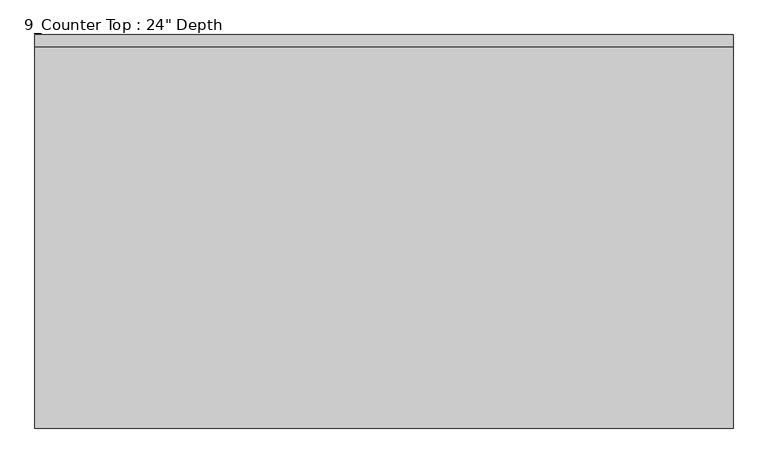
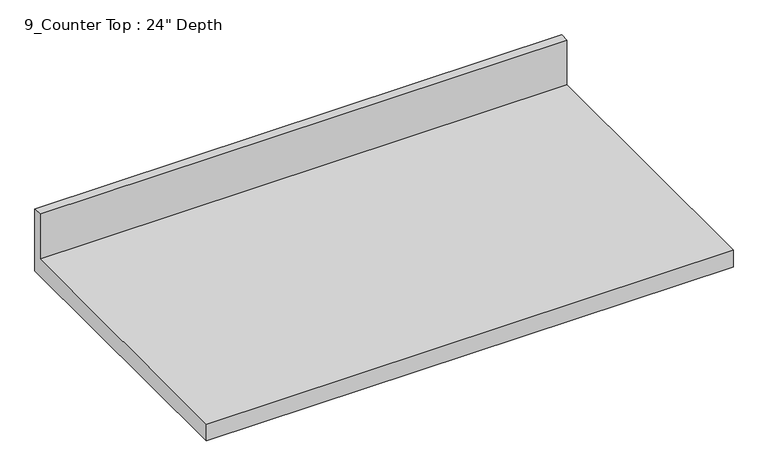
"""IFC4 building model written with IfcOpenShell, lengths in millimetres: furniture geometry."""

from ifc_helpers import new_model, si_unit, frame, origin, place, context, project, spatial, polyline, outline, extrude, source, transform, mapped, element, save


def furniture_5749a6f8(model_context):
    return source(origin(), model_context, "Body", "SweptSolid", [
        extrude(outline(polyline([(0.0, 1016.0), (0.0, 876.3), (-635.0, 876.3), (-635.0, 914.4), (-19.05, 914.4), (-19.05, 1016.0), (0.0, 1016.0)])), frame((-1200.4622951, 0.0, 0.0), z_axis=(1.0, 0.0, 0.0), x_axis=(0.0, 1.0, 0.0)), (0.0, 0.0, 1.0), 1126.3773823),
    ])


if __name__ == "__main__":
    model = new_model("IFC4")
    model_context = context("Model", 3, world=origin())
    ifc_project = project(units=[si_unit("LENGTHUNIT", "METRE", prefix="MILLI")], contexts=[model_context])
    site = spatial("IfcSite", under=ifc_project)
    building = spatial("IfcBuilding", under=site)
    placement = place(None, origin())
    furniture_shape = furniture_5749a6f8(model_context)
    element("IfcFurniture", 1, ObjectType="9_Counter Top : 24\" Depth", at=placement, inside=building, context=model_context, shape_type="MappedRepresentation", body=[
        mapped(furniture_shape, transform((0.0, 0.0, 0.0), x_axis=(1.0, 0.0, 0.0), y_axis=(0.0, 1.0, 0.0), z_axis=(0.0, 0.0, 1.0))),
    ])
    save(model, "model.ifc")
